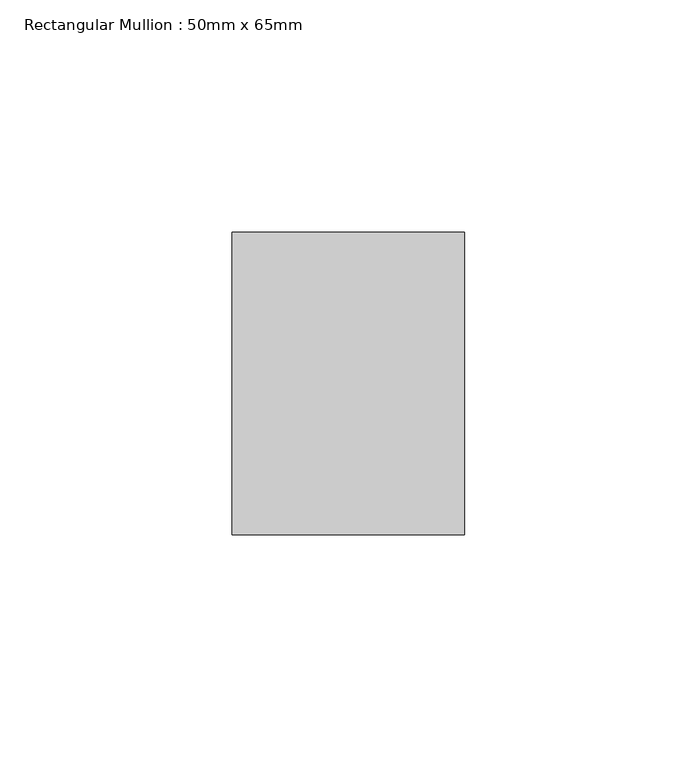
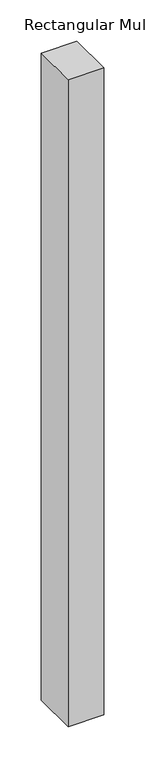
"""IFC4 building model written with IfcOpenShell, lengths in millimetres: member geometry, Rectangular Mullion : 50mm x 65mm."""

from ifc_helpers import new_model, si_unit, frame, origin, place, context, project, spatial, polyline, outline, extrude, source, transform, mapped, element, save


def rectangular_mullion_50mm_x_65mm_26f95eba(model_context):
    return source(origin(), model_context, "Body", "SweptSolid", [
        extrude(outline(polyline([(25.0, 32.5), (25.0, -32.5), (-25.0, -32.5), (-25.0, 32.5), (25.0, 32.5)])), frame((0.0, 0.0, -957.7638917), z_axis=(0.0, 0.0, 1.0), x_axis=(1.0, 0.0, 0.0)), (0.0, 0.0, 1.0), 957.7638917),
    ])


if __name__ == "__main__":
    model = new_model("IFC4")
    model_context = context("Model", 3, world=origin())
    ifc_project = project(units=[si_unit("LENGTHUNIT", "METRE", prefix="MILLI")], contexts=[model_context])
    site = spatial("IfcSite", under=ifc_project)
    building = spatial("IfcBuilding", under=site)
    placement = place(None, origin())
    rectangular_mullion_50mm_x_65mm_shape = rectangular_mullion_50mm_x_65mm_26f95eba(model_context)
    element("IfcMember", 1, ObjectType="Rectangular Mullion : 50mm x 65mm", at=placement, inside=building, context=model_context, shape_type="MappedRepresentation", body=[
        mapped(rectangular_mullion_50mm_x_65mm_shape, transform((0.0, 0.0, 0.0), x_axis=(1.0, 0.0, 0.0), y_axis=(0.0, 1.0, 0.0), z_axis=(0.0, 0.0, 1.0))),
    ])
    save(model, "model.ifc")
